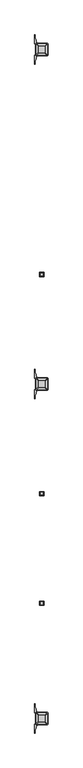
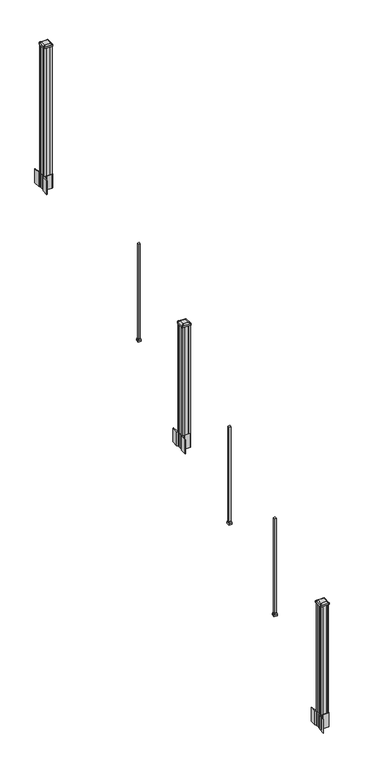
"""IFC4 building model written with IfcOpenShell, lengths in millimetres: railing geometry."""

from ifc_helpers import new_model, si_unit, point, frame, frame_2d, origin, place, context, project, spatial, polyline, circle_curve, trimmed, segment, composite_curve, outline, extrude, faceted_brep, source, transform, mapped, element, save
from ifc_brep_helpers import plane_surface, extruded_surface, advanced_brep


def railing_d4310cfc(model_context):
    return source(origin(), model_context, "Body", "SolidModel", [
        faceted_brep([(11087.5376478, -99917.1628453, 2254.6497081), (11087.5376478, -99891.7628453, 2254.6497081), (11062.1376478, -99891.7628453, 2254.6497081), (11062.1376478, -99917.1628453, 2254.6497081), (11090.7126478, -99920.3378453, 2238.7747081), (11058.9626478, -99920.3378453, 2238.7747081), (11058.9626478, -99888.5878453, 2238.7747081), (11090.7126478, -99888.5878453, 2238.7747081)], [[[0, 1, 2, 3]], [[4, 5, 6, 7]], [[4, 0, 3, 5]], [[5, 3, 2, 6]], [[6, 2, 1, 7]], [[7, 1, 0, 4]]]),
        extrude(outline(polyline([(11090.7126478, -99920.3378453), (11058.9626478, -99920.3378453), (11058.9626478, -99888.5878453), (11090.7126478, -99888.5878453), (11090.7126478, -99920.3378453)])), frame((0.0, 0.0, 2222.5), z_axis=(0.0, 0.0, 1.0), x_axis=(1.0, 0.0, 0.0)), (0.0, 0.0, 1.0), 16.2747081),
        extrude(outline(polyline([(11084.3626478, -99913.9878453), (11065.3126478, -99913.9878453), (11065.3126478, -99894.9378453), (11084.3626478, -99894.9378453), (11084.3626478, -99913.9878453)])), frame((0.0, 0.0, 2222.5), z_axis=(0.0, 0.0, 1.0), x_axis=(1.0, 0.0, 0.0)), (0.0, 0.0, 1.0), 1066.8),
        extrude(outline(composite_curve([segment(polyline([(11117.5731478, -100734.6489401), (11119.1606478, -100735.4109401), (11119.1606478, -100758.2128682), (11115.7876707, -100761.5858453), (11054.3279999, -100761.5858453), (11054.3279999, -100762.5065953), (11049.0104561, -100762.5065953), (11049.0104561, -100763.96085), (11043.9259264, -100763.96085), (11043.9259264, -100765.2448738), (11042.2586541, -100765.2448738)]), True, "CONTINUOUS"), segment(trimmed(circle_curve(frame_2d((11042.2586541, -100772.3043337)), 7.0594599), [point((11042.2586541, -100765.2448738))], [point((11035.4913912, -100770.294327))], True, "CARTESIAN"), True, "CONTINUOUS"), segment(polyline([(11035.4913912, -100770.294327), (11027.6171969, -100796.8050561)]), True, "CONTINUOUS"), segment(trimmed(circle_curve(frame_2d((11082.4017103, -100813.0771057)), 57.15), [point((11027.6171969, -100796.8050561))], [point((11025.2517103, -100813.0771057))], True, "CARTESIAN"), True, "CONTINUOUS"), segment(polyline([(11025.2517103, -100813.0771057), (11025.2517103, -100825.0858453), (11022.2517103, -100825.0858453), (11022.2517103, -100759.9983453), (11030.5146478, -100748.660054), (11030.5146478, -100735.4109401), (11032.1021478, -100734.6489401), (11032.1021478, -100699.8767504), (11030.5146478, -100699.1147504), (11030.5146478, -100685.8656366), (11022.2517103, -100674.5273453), (11022.2517103, -100609.4398453), (11025.2517103, -100609.4398453), (11025.2517103, -100621.4485848)]), True, "CONTINUOUS"), segment(trimmed(circle_curve(frame_2d((11082.4017103, -100621.4485848)), 57.15), [point((11025.2517103, -100621.4485848))], [point((11027.6171969, -100637.7206345))], True, "CARTESIAN"), True, "CONTINUOUS"), segment(polyline([(11027.6171969, -100637.7206345), (11035.4913912, -100664.2313636)]), True, "CONTINUOUS"), segment(trimmed(circle_curve(frame_2d((11042.2586541, -100662.2213569)), 7.0594599), [point((11035.4913912, -100664.2313636))], [point((11042.2586541, -100669.2808168))], True, "CARTESIAN"), True, "CONTINUOUS"), segment(polyline([(11042.2586541, -100669.2808168), (11043.9259264, -100669.2808168), (11043.9259264, -100670.5648406), (11049.0104561, -100670.5648406), (11049.0104561, -100672.0190953), (11054.3279999, -100672.0190953), (11054.3279999, -100672.9398453), (11115.7876707, -100672.9398453), (11119.1606478, -100676.3128224), (11119.1606478, -100699.1147504), (11117.5731478, -100699.8767504), (11117.5731478, -100734.6489401)]), True, "CONTINUOUS")], self_intersect=False), holes=[polyline([(11033.5626478, -100677.5753453), (11033.5626478, -100756.9503453), (11035.1501478, -100758.5378453), (11072.0744304, -100758.5378453), (11114.5251478, -100758.5378453), (11116.1126478, -100756.9503453), (11116.1126478, -100677.5753453), (11114.5251478, -100675.9878453), (11072.0744304, -100675.9878453), (11035.1501478, -100675.9878453), (11033.5626478, -100677.5753453)])]), frame((0.0, 0.0, 1562.1), z_axis=(0.0, 0.0, 1.0), x_axis=(1.0, 0.0, 0.0)), (0.0, 0.0, 1.0), 152.4),
        advanced_brep(
        [(11049.0407728, -100746.2347203, 2926.839263), (11100.6345228, -100746.2347203, 2926.839263), (11103.8095228, -100743.0597203, 2926.839263), (11103.8095228, -100691.4659703, 2926.839263), (11100.6345228, -100688.2909703, 2926.839263), (11049.0407728, -100688.2909703, 2926.839263), (11045.8657728, -100691.4659703, 2926.839263), (11045.8657728, -100743.0597203, 2926.839263), (11032.7688978, -100762.5065953, 2915.536263), (11029.5938978, -100759.3315953, 2915.536263), (11029.5938978, -100675.1940953, 2915.536263), (11032.7688978, -100672.0190953, 2915.536263), (11116.9063978, -100672.0190953, 2915.536263), (11120.0813978, -100675.1940953, 2915.536263), (11120.0813978, -100759.3315953, 2915.536263), (11116.9063978, -100762.5065953, 2915.536263)],
        [
            (0, 1),
            (1, 2, circle_curve(frame((11100.6345228, -100743.0597203, 2926.839263), z_axis=(0.0, 0.0, 1.0), x_axis=(0.0, 1.0, 0.0)), 3.175)),
            (2, 3),
            (3, 4, circle_curve(frame((11100.6345228, -100691.4659703, 2926.839263), z_axis=(0.0, 0.0, 1.0), x_axis=(0.0, 1.0, 0.0)), 3.175)),
            (4, 5),
            (5, 6, circle_curve(frame((11049.0407728, -100691.4659703, 2926.839263), z_axis=(0.0, 0.0, 1.0), x_axis=(0.0, 1.0, 0.0)), 3.175)),
            (6, 7),
            (7, 0, circle_curve(frame((11049.0407728, -100743.0597203, 2926.839263), z_axis=(0.0, 0.0, 1.0), x_axis=(0.0, 1.0, 0.0)), 3.175)),
            (8, 9, circle_curve(frame((11032.7688978, -100759.3315953, 2915.536263), z_axis=(0.0, 0.0, -1.0), x_axis=(0.0, 1.0, 0.0)), 3.175)),
            (9, 10),
            (10, 11, circle_curve(frame((11032.7688978, -100675.1940953, 2915.536263), z_axis=(0.0, 0.0, -1.0), x_axis=(0.0, 1.0, 0.0)), 3.175)),
            (11, 12),
            (12, 13, circle_curve(frame((11116.9063978, -100675.1940953, 2915.536263), z_axis=(0.0, 0.0, -1.0), x_axis=(0.0, 1.0, 0.0)), 3.175)),
            (13, 14),
            (14, 15, circle_curve(frame((11116.9063978, -100759.3315953, 2915.536263), z_axis=(0.0, 0.0, -1.0), x_axis=(0.0, 1.0, 0.0)), 3.175)),
            (15, 8),
            (8, 0),
            (7, 9),
            (6, 10),
            (5, 11),
            (4, 12),
            (3, 13),
            (2, 14),
            (1, 15),
        ],
        [
            plane_surface(frame((11074.8376478, -100717.2628453, 2926.839263), z_axis=(0.0, 0.0, 1.0), x_axis=(-1.0, 0.0, 0.0))),
            plane_surface(frame((11074.8376478, -100717.2628453, 2915.536263), z_axis=(0.0, 0.0, -1.0), x_axis=(-1.0, 0.0, 0.0))),
            extruded_surface(trimmed(circle_curve(frame((11049.0407728, -100743.0597203, 2926.839263), z_axis=(0.0, 0.0, -1.0), x_axis=(0.0, 1.0, 0.0)), 3.175), [point((11049.0407728, -100746.2347203, 2926.839263))], [point((11045.8657728, -100743.0597203, 2926.839263))], True, "CARTESIAN"), (-16.271874999998545, -16.27187499999127, -11.302999999999884), 25.637972638859644),
            plane_surface(frame((11029.5938978, -100717.2628453, 2915.536263), z_axis=(-0.5705009161540778, 0.0, 0.8212969649690408), x_axis=(0.0, 1.0, 0.0))),
            extruded_surface(trimmed(circle_curve(frame((11049.0407728, -100691.4659703, 2926.839263), z_axis=(0.0, 0.0, -1.0), x_axis=(0.0, 1.0, 0.0)), 3.175), [point((11045.8657728, -100691.4659703, 2926.839263))], [point((11049.0407728, -100688.2909703, 2926.839263))], True, "CARTESIAN"), (-16.271874999998545, 16.27187500000582, -11.302999999999884), 25.63797263886888),
            plane_surface(frame((11074.8376478, -100672.0190953, 2915.536263), z_axis=(0.0, 0.5705009161540291, 0.8212969649690747), x_axis=(1.0, 0.0, 0.0))),
            extruded_surface(trimmed(circle_curve(frame((11100.6345228, -100691.4659703, 2926.839263), z_axis=(0.0, 0.0, -1.0), x_axis=(0.0, 1.0, 0.0)), 3.175), [point((11100.6345228, -100688.2909703, 2926.839263))], [point((11103.8095228, -100691.4659703, 2926.839263))], True, "CARTESIAN"), (16.271875000000364, 16.27187500000582, -11.302999999999884), 25.637972638870036),
            plane_surface(frame((11120.0813978, -100717.2628453, 2915.536263), z_axis=(0.5705009161540142, 0.0, 0.8212969649690851), x_axis=(0.0, -1.0, 0.0))),
            extruded_surface(trimmed(circle_curve(frame((11100.6345228, -100743.0597203, 2926.839263), z_axis=(0.0, 0.0, -1.0), x_axis=(0.0, 1.0, 0.0)), 3.175), [point((11103.8095228, -100743.0597203, 2926.839263))], [point((11100.6345228, -100746.2347203, 2926.839263))], True, "CARTESIAN"), (16.271875000000364, -16.27187499999127, -11.302999999999884), 25.637972638860802),
            plane_surface(frame((11074.8376478, -100762.5065953, 2915.536263), z_axis=(0.0, -0.570500916154034, 0.8212969649690713), x_axis=(-1.0, 0.0, 0.0))),
        ],
        [
            (0, [[1, 2, 3, 4, 5, 6, 7, 8]]),
            (1, [[9, 10, 11, 12, 13, 14, 15, 16]]),
            (2, [[17, -8, 18, -9]]),
            (3, [[-18, -7, 19, -10]]),
            (4, [[-19, -6, 20, -11]]),
            (5, [[-20, -5, 21, -12]]),
            (6, [[-21, -4, 22, -13]]),
            (7, [[-22, -3, 23, -14]]),
            (8, [[-23, -2, 24, -15]]),
            (9, [[-24, -1, -17, -16]]),
        ],
    ),
        extrude(outline(composite_curve([segment(trimmed(circle_curve(frame_2d((11032.7688978, -100759.3315953)), 3.175), [point((11032.7688978, -100762.5065953))], [point((11029.5938978, -100759.3315953))], False, "CARTESIAN"), True, "CONTINUOUS"), segment(polyline([(11029.5938978, -100759.3315953), (11029.5938978, -100675.1940953)]), True, "CONTINUOUS"), segment(trimmed(circle_curve(frame_2d((11032.7688978, -100675.1940953)), 3.175), [point((11029.5938978, -100675.1940953))], [point((11032.7688978, -100672.0190953))], False, "CARTESIAN"), True, "CONTINUOUS"), segment(polyline([(11032.7688978, -100672.0190953), (11116.9063978, -100672.0190953)]), True, "CONTINUOUS"), segment(trimmed(circle_curve(frame_2d((11116.9063978, -100675.1940953)), 3.175), [point((11116.9063978, -100672.0190953))], [point((11120.0813978, -100675.1940953))], False, "CARTESIAN"), True, "CONTINUOUS"), segment(polyline([(11120.0813978, -100675.1940953), (11120.0813978, -100759.3315953)]), True, "CONTINUOUS"), segment(trimmed(circle_curve(frame_2d((11116.9063978, -100759.3315953)), 3.175), [point((11120.0813978, -100759.3315953))], [point((11116.9063978, -100762.5065953))], False, "CARTESIAN"), True, "CONTINUOUS"), segment(polyline([(11116.9063978, -100762.5065953), (11032.7688978, -100762.5065953)]), True, "CONTINUOUS")], self_intersect=False)), frame((0.0, 0.0, 2898.264263), z_axis=(0.0, 0.0, 1.0), x_axis=(1.0, 0.0, 0.0)), (0.0, 0.0, 1.0), 17.272),
        extrude(outline(polyline([(11035.1501478, -100758.5378453), (11033.5626478, -100756.9503453), (11033.5626478, -100737.3288453), (11035.1501478, -100736.5668453), (11035.1501478, -100697.9588453), (11033.5626478, -100697.1968453), (11033.5626478, -100677.5753453), (11035.1501478, -100675.9878453), (11054.7716478, -100675.9878453), (11055.5336478, -100677.5753453), (11094.1416478, -100677.5753453), (11094.9036478, -100675.9878453), (11114.5251478, -100675.9878453), (11116.1126478, -100677.5753453), (11116.1126478, -100697.1968453), (11114.5251478, -100697.9588453), (11114.5251478, -100736.5668453), (11116.1126478, -100737.3288453), (11116.1126478, -100756.9503453), (11114.5251478, -100758.5378453), (11094.9036478, -100758.5378453), (11094.1416478, -100756.9503453), (11055.5336478, -100756.9503453), (11054.7716478, -100758.5378453), (11035.1501478, -100758.5378453)])), frame((0.0, 0.0, 1714.5), z_axis=(0.0, 0.0, 1.0), x_axis=(1.0, 0.0, 0.0)), (0.0, 0.0, 1.0), 1183.764263),
        faceted_brep([(11087.5376478, -101542.7628453, 1238.6497081), (11087.5376478, -101517.3628453, 1238.6497081), (11062.1376478, -101517.3628453, 1238.6497081), (11062.1376478, -101542.7628453, 1238.6497081), (11090.7126478, -101545.9378453, 1222.7747081), (11058.9626478, -101545.9378453, 1222.7747081), (11058.9626478, -101514.1878453, 1222.7747081), (11090.7126478, -101514.1878453, 1222.7747081)], [[[0, 1, 2, 3]], [[4, 5, 6, 7]], [[4, 0, 3, 5]], [[5, 3, 2, 6]], [[6, 2, 1, 7]], [[7, 1, 0, 4]]]),
        extrude(outline(polyline([(11090.7126478, -101545.9378453), (11058.9626478, -101545.9378453), (11058.9626478, -101514.1878453), (11090.7126478, -101514.1878453), (11090.7126478, -101545.9378453)])), frame((0.0, 0.0, 1206.5), z_axis=(0.0, 0.0, 1.0), x_axis=(1.0, 0.0, 0.0)), (0.0, 0.0, 1.0), 16.2747081),
        extrude(outline(polyline([(11084.3626478, -101539.5878453), (11065.3126478, -101539.5878453), (11065.3126478, -101520.5378453), (11084.3626478, -101520.5378453), (11084.3626478, -101539.5878453)])), frame((0.0, 0.0, 1206.5), z_axis=(0.0, 0.0, 1.0), x_axis=(1.0, 0.0, 0.0)), (0.0, 0.0, 1.0), 1066.8),
        faceted_brep([(11087.5376478, -102355.5628453, 730.6497081), (11087.5376478, -102330.1628453, 730.6497081), (11062.1376478, -102330.1628453, 730.6497081), (11062.1376478, -102355.5628453, 730.6497081), (11090.7126478, -102358.7378453, 714.7747081), (11058.9626478, -102358.7378453, 714.7747081), (11058.9626478, -102326.9878453, 714.7747081), (11090.7126478, -102326.9878453, 714.7747081)], [[[0, 1, 2, 3]], [[4, 5, 6, 7]], [[4, 0, 3, 5]], [[5, 3, 2, 6]], [[6, 2, 1, 7]], [[7, 1, 0, 4]]]),
        extrude(outline(polyline([(11090.7126478, -102358.7378453), (11058.9626478, -102358.7378453), (11058.9626478, -102326.9878453), (11090.7126478, -102326.9878453), (11090.7126478, -102358.7378453)])), frame((0.0, 0.0, 698.5), z_axis=(0.0, 0.0, 1.0), x_axis=(1.0, 0.0, 0.0)), (0.0, 0.0, 1.0), 16.2747081),
        extrude(outline(polyline([(11084.3626478, -102352.3878453), (11065.3126478, -102352.3878453), (11065.3126478, -102333.3378453), (11084.3626478, -102333.3378453), (11084.3626478, -102352.3878453)])), frame((0.0, 0.0, 698.5), z_axis=(0.0, 0.0, 1.0), x_axis=(1.0, 0.0, 0.0)), (0.0, 0.0, 1.0), 1066.8),
        extrude(outline(polyline([(11035.1501478, -98278.7358453), (11033.5626478, -98277.1483453), (11033.5626478, -98257.5268453), (11035.1501478, -98256.7648453), (11035.1501478, -98218.1568453), (11033.5626478, -98217.3948453), (11033.5626478, -98197.7733453), (11035.1501478, -98196.1858453), (11054.7716478, -98196.1858453), (11055.5336478, -98197.7733453), (11094.1416478, -98197.7733453), (11094.9036478, -98196.1858453), (11114.5251478, -98196.1858453), (11116.1126478, -98197.7733453), (11116.1126478, -98217.3948453), (11114.5251478, -98218.1568453), (11114.5251478, -98256.7648453), (11116.1126478, -98257.5268453), (11116.1126478, -98277.1483453), (11114.5251478, -98278.7358453), (11094.9036478, -98278.7358453), (11094.1416478, -98277.1483453), (11055.5336478, -98277.1483453), (11054.7716478, -98278.7358453), (11035.1501478, -98278.7358453)])), frame((0.0, 0.0, 3048.0), z_axis=(0.0, 0.0, 1.0), x_axis=(1.0, 0.0, 0.0)), (0.0, 0.0, 1.0), 1400.140513),
        extrude(outline(composite_curve([segment(polyline([(11117.5731478, -98254.8469401), (11119.1606478, -98255.6089401), (11119.1606478, -98278.4108682), (11115.7876707, -98281.7838453), (11054.3279999, -98281.7838453), (11054.3279999, -98282.7045953), (11049.0104561, -98282.7045953), (11049.0104561, -98284.15885), (11043.9259264, -98284.15885), (11043.9259264, -98285.4428738), (11042.2586541, -98285.4428738)]), True, "CONTINUOUS"), segment(trimmed(circle_curve(frame_2d((11042.2586541, -98292.5023337)), 7.0594599), [point((11042.2586541, -98285.4428738))], [point((11035.4913912, -98290.492327))], True, "CARTESIAN"), True, "CONTINUOUS"), segment(polyline([(11035.4913912, -98290.492327), (11027.6171969, -98317.0030561)]), True, "CONTINUOUS"), segment(trimmed(circle_curve(frame_2d((11082.4017103, -98333.2751057)), 57.15), [point((11027.6171969, -98317.0030561))], [point((11025.2517103, -98333.2751057))], True, "CARTESIAN"), True, "CONTINUOUS"), segment(polyline([(11025.2517103, -98333.2751057), (11025.2517103, -98345.2838453), (11022.2517103, -98345.2838453), (11022.2517103, -98280.1963453), (11030.5146478, -98268.858054), (11030.5146478, -98255.6089401), (11032.1021478, -98254.8469401), (11032.1021478, -98220.0747504), (11030.5146478, -98219.3127504), (11030.5146478, -98206.0636366), (11022.2517103, -98194.7253453), (11022.2517103, -98129.6378453), (11025.2517103, -98129.6378453), (11025.2517103, -98141.6465848)]), True, "CONTINUOUS"), segment(trimmed(circle_curve(frame_2d((11082.4017103, -98141.6465848)), 57.15), [point((11025.2517103, -98141.6465848))], [point((11027.6171969, -98157.9186345))], True, "CARTESIAN"), True, "CONTINUOUS"), segment(polyline([(11027.6171969, -98157.9186345), (11035.4913912, -98184.4293636)]), True, "CONTINUOUS"), segment(trimmed(circle_curve(frame_2d((11042.2586541, -98182.4193569)), 7.0594599), [point((11035.4913912, -98184.4293636))], [point((11042.2586541, -98189.4788168))], True, "CARTESIAN"), True, "CONTINUOUS"), segment(polyline([(11042.2586541, -98189.4788168), (11043.9259264, -98189.4788168), (11043.9259264, -98190.7628406), (11049.0104561, -98190.7628406), (11049.0104561, -98192.2170953), (11054.3279999, -98192.2170953), (11054.3279999, -98193.1378453), (11115.7876707, -98193.1378453), (11119.1606478, -98196.5108224), (11119.1606478, -98219.3127504), (11117.5731478, -98220.0747504), (11117.5731478, -98254.8469401)]), True, "CONTINUOUS")], self_intersect=False), holes=[polyline([(11033.5626478, -98197.7733453), (11033.5626478, -98277.1483453), (11035.1501478, -98278.7358453), (11072.0744304, -98278.7358453), (11114.5251478, -98278.7358453), (11116.1126478, -98277.1483453), (11116.1126478, -98197.7733453), (11114.5251478, -98196.1858453), (11072.0744304, -98196.1858453), (11035.1501478, -98196.1858453), (11033.5626478, -98197.7733453)])]), frame((0.0, 0.0, 2895.6), z_axis=(0.0, 0.0, 1.0), x_axis=(1.0, 0.0, 0.0)), (0.0, 0.0, 1.0), 152.4),
        advanced_brep(
        [(11049.0407728, -98266.4327203, 4476.715513), (11100.6345228, -98266.4327203, 4476.715513), (11103.8095228, -98263.2577203, 4476.715513), (11103.8095228, -98211.6639703, 4476.715513), (11100.6345228, -98208.4889703, 4476.715513), (11049.0407728, -98208.4889703, 4476.715513), (11045.8657728, -98211.6639703, 4476.715513), (11045.8657728, -98263.2577203, 4476.715513), (11032.7688978, -98282.7045953, 4465.412513), (11029.5938978, -98279.5295953, 4465.412513), (11029.5938978, -98195.3920953, 4465.412513), (11032.7688978, -98192.2170953, 4465.412513), (11116.9063978, -98192.2170953, 4465.412513), (11120.0813978, -98195.3920953, 4465.412513), (11120.0813978, -98279.5295953, 4465.412513), (11116.9063978, -98282.7045953, 4465.412513)],
        [
            (0, 1),
            (1, 2, circle_curve(frame((11100.6345228, -98263.2577203, 4476.715513), z_axis=(0.0, 0.0, 1.0), x_axis=(0.0, 1.0, 0.0)), 3.175)),
            (2, 3),
            (3, 4, circle_curve(frame((11100.6345228, -98211.6639703, 4476.715513), z_axis=(0.0, 0.0, 1.0), x_axis=(0.0, 1.0, 0.0)), 3.175)),
            (4, 5),
            (5, 6, circle_curve(frame((11049.0407728, -98211.6639703, 4476.715513), z_axis=(0.0, 0.0, 1.0), x_axis=(0.0, 1.0, 0.0)), 3.175)),
            (6, 7),
            (7, 0, circle_curve(frame((11049.0407728, -98263.2577203, 4476.715513), z_axis=(0.0, 0.0, 1.0), x_axis=(0.0, 1.0, 0.0)), 3.175)),
            (8, 9, circle_curve(frame((11032.7688978, -98279.5295953, 4465.412513), z_axis=(0.0, 0.0, -1.0), x_axis=(0.0, 1.0, 0.0)), 3.175)),
            (9, 10),
            (10, 11, circle_curve(frame((11032.7688978, -98195.3920953, 4465.412513), z_axis=(0.0, 0.0, -1.0), x_axis=(0.0, 1.0, 0.0)), 3.175)),
            (11, 12),
            (12, 13, circle_curve(frame((11116.9063978, -98195.3920953, 4465.412513), z_axis=(0.0, 0.0, -1.0), x_axis=(0.0, 1.0, 0.0)), 3.175)),
            (13, 14),
            (14, 15, circle_curve(frame((11116.9063978, -98279.5295953, 4465.412513), z_axis=(0.0, 0.0, -1.0), x_axis=(0.0, 1.0, 0.0)), 3.175)),
            (15, 8),
            (8, 0),
            (7, 9),
            (6, 10),
            (5, 11),
            (4, 12),
            (3, 13),
            (2, 14),
            (1, 15),
        ],
        [
            plane_surface(frame((11074.8376478, -98237.4608453, 4476.715513), z_axis=(0.0, 0.0, 1.0), x_axis=(-1.0, 0.0, 0.0))),
            plane_surface(frame((11074.8376478, -98237.4608453, 4465.412513), z_axis=(0.0, 0.0, -1.0), x_axis=(-1.0, 0.0, 0.0))),
            extruded_surface(trimmed(circle_curve(frame((11049.0407728, -98263.2577203, 4476.715513), z_axis=(0.0, 0.0, -1.0), x_axis=(0.0, 1.0, 0.0)), 3.175), [point((11049.0407728, -98266.4327203, 4476.715513))], [point((11045.8657728, -98263.2577203, 4476.715513))], True, "CARTESIAN"), (-16.271874999998545, -16.27187500000582, -11.302999999999884), 25.63797263886888),
            plane_surface(frame((11029.5938978, -98237.4608453, 4465.412513), z_axis=(-0.5705009161540685, 0.0, 0.8212969649690474), x_axis=(0.0, 1.0, 0.0))),
            extruded_surface(trimmed(circle_curve(frame((11049.0407728, -98211.6639703, 4476.715513), z_axis=(0.0, 0.0, -1.0), x_axis=(0.0, 1.0, 0.0)), 3.175), [point((11045.8657728, -98211.6639703, 4476.715513))], [point((11049.0407728, -98208.4889703, 4476.715513))], True, "CARTESIAN"), (-16.271874999998545, 16.27187499999127, -11.302999999999884), 25.637972638859644),
            plane_surface(frame((11074.8376478, -98192.2170953, 4465.412513), z_axis=(0.0, 0.5705009161540291, 0.8212969649690747), x_axis=(1.0, 0.0, 0.0))),
            extruded_surface(trimmed(circle_curve(frame((11100.6345228, -98211.6639703, 4476.715513), z_axis=(0.0, 0.0, -1.0), x_axis=(0.0, 1.0, 0.0)), 3.175), [point((11100.6345228, -98208.4889703, 4476.715513))], [point((11103.8095228, -98211.6639703, 4476.715513))], True, "CARTESIAN"), (16.271875000000364, 16.27187499999127, -11.302999999999884), 25.637972638860802),
            plane_surface(frame((11120.0813978, -98237.4608453, 4465.412513), z_axis=(0.5705009161540235, 0.0, 0.8212969649690786), x_axis=(0.0, -1.0, 0.0))),
            extruded_surface(trimmed(circle_curve(frame((11100.6345228, -98263.2577203, 4476.715513), z_axis=(0.0, 0.0, -1.0), x_axis=(0.0, 1.0, 0.0)), 3.175), [point((11103.8095228, -98263.2577203, 4476.715513))], [point((11100.6345228, -98266.4327203, 4476.715513))], True, "CARTESIAN"), (16.271875000000364, -16.27187500000582, -11.302999999999884), 25.637972638870036),
            plane_surface(frame((11074.8376478, -98282.7045953, 4465.412513), z_axis=(0.0, -0.570500916154034, 0.8212969649690713), x_axis=(-1.0, 0.0, 0.0))),
        ],
        [
            (0, [[1, 2, 3, 4, 5, 6, 7, 8]]),
            (1, [[9, 10, 11, 12, 13, 14, 15, 16]]),
            (2, [[17, -8, 18, -9]]),
            (3, [[-18, -7, 19, -10]]),
            (4, [[-19, -6, 20, -11]]),
            (5, [[-20, -5, 21, -12]]),
            (6, [[-21, -4, 22, -13]]),
            (7, [[-22, -3, 23, -14]]),
            (8, [[-23, -2, 24, -15]]),
            (9, [[-24, -1, -17, -16]]),
        ],
    ),
        extrude(outline(composite_curve([segment(trimmed(circle_curve(frame_2d((11032.7688978, -98279.5295953)), 3.175), [point((11032.7688978, -98282.7045953))], [point((11029.5938978, -98279.5295953))], False, "CARTESIAN"), True, "CONTINUOUS"), segment(polyline([(11029.5938978, -98279.5295953), (11029.5938978, -98195.3920953)]), True, "CONTINUOUS"), segment(trimmed(circle_curve(frame_2d((11032.7688978, -98195.3920953)), 3.175), [point((11029.5938978, -98195.3920953))], [point((11032.7688978, -98192.2170953))], False, "CARTESIAN"), True, "CONTINUOUS"), segment(polyline([(11032.7688978, -98192.2170953), (11116.9063978, -98192.2170953)]), True, "CONTINUOUS"), segment(trimmed(circle_curve(frame_2d((11116.9063978, -98195.3920953)), 3.175), [point((11116.9063978, -98192.2170953))], [point((11120.0813978, -98195.3920953))], False, "CARTESIAN"), True, "CONTINUOUS"), segment(polyline([(11120.0813978, -98195.3920953), (11120.0813978, -98279.5295953)]), True, "CONTINUOUS"), segment(trimmed(circle_curve(frame_2d((11116.9063978, -98279.5295953)), 3.175), [point((11120.0813978, -98279.5295953))], [point((11116.9063978, -98282.7045953))], False, "CARTESIAN"), True, "CONTINUOUS"), segment(polyline([(11116.9063978, -98282.7045953), (11032.7688978, -98282.7045953)]), True, "CONTINUOUS")], self_intersect=False)), frame((0.0, 0.0, 4448.140513), z_axis=(0.0, 0.0, 1.0), x_axis=(1.0, 0.0, 0.0)), (0.0, 0.0, 1.0), 17.272),
        extrude(outline(composite_curve([segment(polyline([(11117.5731478, -103214.4509401), (11119.1606478, -103215.2129401), (11119.1606478, -103238.0148682), (11115.7876707, -103241.3878453), (11054.3279999, -103241.3878453), (11054.3279999, -103242.3085953), (11049.0104561, -103242.3085953), (11049.0104561, -103243.76285), (11043.9259264, -103243.76285), (11043.9259264, -103245.0468738), (11042.2586541, -103245.0468738)]), True, "CONTINUOUS"), segment(trimmed(circle_curve(frame_2d((11042.2586541, -103252.1063337)), 7.0594599), [point((11042.2586541, -103245.0468738))], [point((11035.4913912, -103250.096327))], True, "CARTESIAN"), True, "CONTINUOUS"), segment(polyline([(11035.4913912, -103250.096327), (11027.6171969, -103276.6070561)]), True, "CONTINUOUS"), segment(trimmed(circle_curve(frame_2d((11082.4017103, -103292.8791057)), 57.15), [point((11027.6171969, -103276.6070561))], [point((11025.2517103, -103292.8791057))], True, "CARTESIAN"), True, "CONTINUOUS"), segment(polyline([(11025.2517103, -103292.8791057), (11025.2517103, -103304.8878453), (11022.2517103, -103304.8878453), (11022.2517103, -103239.8003453), (11030.5146478, -103228.462054), (11030.5146478, -103215.2129401), (11032.1021478, -103214.4509401), (11032.1021478, -103179.6787504), (11030.5146478, -103178.9167504), (11030.5146478, -103165.6676366), (11022.2517103, -103154.3293453), (11022.2517103, -103089.2418453), (11025.2517103, -103089.2418453), (11025.2517103, -103101.2505848)]), True, "CONTINUOUS"), segment(trimmed(circle_curve(frame_2d((11082.4017103, -103101.2505848)), 57.15), [point((11025.2517103, -103101.2505848))], [point((11027.6171969, -103117.5226345))], True, "CARTESIAN"), True, "CONTINUOUS"), segment(polyline([(11027.6171969, -103117.5226345), (11035.4913912, -103144.0333636)]), True, "CONTINUOUS"), segment(trimmed(circle_curve(frame_2d((11042.2586541, -103142.0233569)), 7.0594599), [point((11035.4913912, -103144.0333636))], [point((11042.2586541, -103149.0828168))], True, "CARTESIAN"), True, "CONTINUOUS"), segment(polyline([(11042.2586541, -103149.0828168), (11043.9259264, -103149.0828168), (11043.9259264, -103150.3668406), (11049.0104561, -103150.3668406), (11049.0104561, -103151.8210953), (11054.3279999, -103151.8210953), (11054.3279999, -103152.7418453), (11115.7876707, -103152.7418453), (11119.1606478, -103156.1148224), (11119.1606478, -103178.9167504), (11117.5731478, -103179.6787504), (11117.5731478, -103214.4509401)]), True, "CONTINUOUS")], self_intersect=False), holes=[polyline([(11033.5626478, -103157.3773453), (11033.5626478, -103236.7523453), (11035.1501478, -103238.3398453), (11072.0744304, -103238.3398453), (11114.5251478, -103238.3398453), (11116.1126478, -103236.7523453), (11116.1126478, -103157.3773453), (11114.5251478, -103155.7898453), (11072.0744304, -103155.7898453), (11035.1501478, -103155.7898453), (11033.5626478, -103157.3773453)])]), frame((0.0, 0.0, 12.22375), z_axis=(0.0, 0.0, 1.0), x_axis=(1.0, 0.0, 0.0)), (0.0, 0.0, 1.0), 152.4),
        advanced_brep(
        [(11049.0407728, -103226.0367203, 1376.963013), (11100.6345228, -103226.0367203, 1376.963013), (11103.8095228, -103222.8617203, 1376.963013), (11103.8095228, -103171.2679703, 1376.963013), (11100.6345228, -103168.0929703, 1376.963013), (11049.0407728, -103168.0929703, 1376.963013), (11045.8657728, -103171.2679703, 1376.963013), (11045.8657728, -103222.8617203, 1376.963013), (11032.7688978, -103242.3085953, 1365.660013), (11029.5938978, -103239.1335953, 1365.660013), (11029.5938978, -103154.9960953, 1365.660013), (11032.7688978, -103151.8210953, 1365.660013), (11116.9063978, -103151.8210953, 1365.660013), (11120.0813978, -103154.9960953, 1365.660013), (11120.0813978, -103239.1335953, 1365.660013), (11116.9063978, -103242.3085953, 1365.660013)],
        [
            (0, 1),
            (1, 2, circle_curve(frame((11100.6345228, -103222.8617203, 1376.963013), z_axis=(0.0, 0.0, 1.0), x_axis=(0.0, 1.0, 0.0)), 3.175)),
            (2, 3),
            (3, 4, circle_curve(frame((11100.6345228, -103171.2679703, 1376.963013), z_axis=(0.0, 0.0, 1.0), x_axis=(0.0, 1.0, 0.0)), 3.175)),
            (4, 5),
            (5, 6, circle_curve(frame((11049.0407728, -103171.2679703, 1376.963013), z_axis=(0.0, 0.0, 1.0), x_axis=(0.0, 1.0, 0.0)), 3.175)),
            (6, 7),
            (7, 0, circle_curve(frame((11049.0407728, -103222.8617203, 1376.963013), z_axis=(0.0, 0.0, 1.0), x_axis=(0.0, 1.0, 0.0)), 3.175)),
            (8, 9, circle_curve(frame((11032.7688978, -103239.1335953, 1365.660013), z_axis=(0.0, 0.0, -1.0), x_axis=(0.0, 1.0, 0.0)), 3.175)),
            (9, 10),
            (10, 11, circle_curve(frame((11032.7688978, -103154.9960953, 1365.660013), z_axis=(0.0, 0.0, -1.0), x_axis=(0.0, 1.0, 0.0)), 3.175)),
            (11, 12),
            (12, 13, circle_curve(frame((11116.9063978, -103154.9960953, 1365.660013), z_axis=(0.0, 0.0, -1.0), x_axis=(0.0, 1.0, 0.0)), 3.175)),
            (13, 14),
            (14, 15, circle_curve(frame((11116.9063978, -103239.1335953, 1365.660013), z_axis=(0.0, 0.0, -1.0), x_axis=(0.0, 1.0, 0.0)), 3.175)),
            (15, 8),
            (8, 0),
            (7, 9),
            (6, 10),
            (5, 11),
            (4, 12),
            (3, 13),
            (2, 14),
            (1, 15),
        ],
        [
            plane_surface(frame((11074.8376478, -103197.0648453, 1376.963013), z_axis=(0.0, 0.0, 1.0), x_axis=(-1.0, 0.0, 0.0))),
            plane_surface(frame((11074.8376478, -103197.0648453, 1365.660013), z_axis=(0.0, 0.0, -1.0), x_axis=(-1.0, 0.0, 0.0))),
            extruded_surface(trimmed(circle_curve(frame((11049.0407728, -103222.8617203, 1376.963013), z_axis=(0.0, 0.0, -1.0), x_axis=(0.0, 1.0, 0.0)), 3.175), [point((11049.0407728, -103226.0367203, 1376.963013))], [point((11045.8657728, -103222.8617203, 1376.963013))], True, "CARTESIAN"), (-16.271874999998545, -16.27187499999127, -11.303000000000111), 25.637972638859747),
            plane_surface(frame((11029.5938978, -103197.0648453, 1365.660013), z_axis=(-0.5705009161540778, 0.0, 0.8212969649690408), x_axis=(0.0, 1.0, 0.0))),
            extruded_surface(trimmed(circle_curve(frame((11049.0407728, -103171.2679703, 1376.963013), z_axis=(0.0, 0.0, -1.0), x_axis=(0.0, 1.0, 0.0)), 3.175), [point((11045.8657728, -103171.2679703, 1376.963013))], [point((11049.0407728, -103168.0929703, 1376.963013))], True, "CARTESIAN"), (-16.271874999998545, 16.27187500000582, -11.303000000000111), 25.63797263886898),
            plane_surface(frame((11074.8376478, -103151.8210953, 1365.660013), z_axis=(0.0, 0.5705009161540291, 0.8212969649690747), x_axis=(1.0, 0.0, 0.0))),
            extruded_surface(trimmed(circle_curve(frame((11100.6345228, -103171.2679703, 1376.963013), z_axis=(0.0, 0.0, -1.0), x_axis=(0.0, 1.0, 0.0)), 3.175), [point((11100.6345228, -103168.0929703, 1376.963013))], [point((11103.8095228, -103171.2679703, 1376.963013))], True, "CARTESIAN"), (16.271875000000364, 16.27187500000582, -11.303000000000111), 25.63797263887014),
            plane_surface(frame((11120.0813978, -103197.0648453, 1365.660013), z_axis=(0.5705009161540142, 0.0, 0.8212969649690851), x_axis=(0.0, -1.0, 0.0))),
            extruded_surface(trimmed(circle_curve(frame((11100.6345228, -103222.8617203, 1376.963013), z_axis=(0.0, 0.0, -1.0), x_axis=(0.0, 1.0, 0.0)), 3.175), [point((11103.8095228, -103222.8617203, 1376.963013))], [point((11100.6345228, -103226.0367203, 1376.963013))], True, "CARTESIAN"), (16.271875000000364, -16.27187499999127, -11.303000000000111), 25.6379726388609),
            plane_surface(frame((11074.8376478, -103242.3085953, 1365.660013), z_axis=(0.0, -0.570500916154034, 0.8212969649690713), x_axis=(-1.0, 0.0, 0.0))),
        ],
        [
            (0, [[1, 2, 3, 4, 5, 6, 7, 8]]),
            (1, [[9, 10, 11, 12, 13, 14, 15, 16]]),
            (2, [[17, -8, 18, -9]]),
            (3, [[-18, -7, 19, -10]]),
            (4, [[-19, -6, 20, -11]]),
            (5, [[-20, -5, 21, -12]]),
            (6, [[-21, -4, 22, -13]]),
            (7, [[-22, -3, 23, -14]]),
            (8, [[-23, -2, 24, -15]]),
            (9, [[-24, -1, -17, -16]]),
        ],
    ),
        extrude(outline(composite_curve([segment(trimmed(circle_curve(frame_2d((11032.7688978, -103239.1335953)), 3.175), [point((11032.7688978, -103242.3085953))], [point((11029.5938978, -103239.1335953))], False, "CARTESIAN"), True, "CONTINUOUS"), segment(polyline([(11029.5938978, -103239.1335953), (11029.5938978, -103154.9960953)]), True, "CONTINUOUS"), segment(trimmed(circle_curve(frame_2d((11032.7688978, -103154.9960953)), 3.175), [point((11029.5938978, -103154.9960953))], [point((11032.7688978, -103151.8210953))], False, "CARTESIAN"), True, "CONTINUOUS"), segment(polyline([(11032.7688978, -103151.8210953), (11116.9063978, -103151.8210953)]), True, "CONTINUOUS"), segment(trimmed(circle_curve(frame_2d((11116.9063978, -103154.9960953)), 3.175), [point((11116.9063978, -103151.8210953))], [point((11120.0813978, -103154.9960953))], False, "CARTESIAN"), True, "CONTINUOUS"), segment(polyline([(11120.0813978, -103154.9960953), (11120.0813978, -103239.1335953)]), True, "CONTINUOUS"), segment(trimmed(circle_curve(frame_2d((11116.9063978, -103239.1335953)), 3.175), [point((11120.0813978, -103239.1335953))], [point((11116.9063978, -103242.3085953))], False, "CARTESIAN"), True, "CONTINUOUS"), segment(polyline([(11116.9063978, -103242.3085953), (11032.7688978, -103242.3085953)]), True, "CONTINUOUS")], self_intersect=False)), frame((0.0, 0.0, 1348.388013), z_axis=(0.0, 0.0, 1.0), x_axis=(1.0, 0.0, 0.0)), (0.0, 0.0, 1.0), 17.272),
        extrude(outline(polyline([(11035.1501478, -103238.3398453), (11033.5626478, -103236.7523453), (11033.5626478, -103217.1308453), (11035.1501478, -103216.3688453), (11035.1501478, -103177.7608453), (11033.5626478, -103176.9988453), (11033.5626478, -103157.3773453), (11035.1501478, -103155.7898453), (11054.7716478, -103155.7898453), (11055.5336478, -103157.3773453), (11094.1416478, -103157.3773453), (11094.9036478, -103155.7898453), (11114.5251478, -103155.7898453), (11116.1126478, -103157.3773453), (11116.1126478, -103176.9988453), (11114.5251478, -103177.7608453), (11114.5251478, -103216.3688453), (11116.1126478, -103217.1308453), (11116.1126478, -103236.7523453), (11114.5251478, -103238.3398453), (11094.9036478, -103238.3398453), (11094.1416478, -103236.7523453), (11055.5336478, -103236.7523453), (11054.7716478, -103238.3398453), (11035.1501478, -103238.3398453)])), frame((0.0, 0.0, 164.62375), z_axis=(0.0, 0.0, 1.0), x_axis=(1.0, 0.0, 0.0)), (0.0, 0.0, 1.0), 1183.764263),
    ])


if __name__ == "__main__":
    model = new_model("IFC4")
    model_context = context("Model", 3, world=origin())
    ifc_project = project(units=[si_unit("LENGTHUNIT", "METRE", prefix="MILLI")], contexts=[model_context])
    site = spatial("IfcSite", under=ifc_project)
    building = spatial("IfcBuilding", under=site)
    placement = place(None, origin())
    railing_shape = railing_d4310cfc(model_context)
    element("IfcRailing", 1, at=placement, inside=building, context=model_context, shape_type="MappedRepresentation", body=[
        mapped(railing_shape, transform((0.0, 0.0, 0.0), x_axis=(1.0, 0.0, 0.0), y_axis=(0.0, 1.0, 0.0), z_axis=(0.0, 0.0, 1.0))),
    ])
    save(model, "model.ifc")
